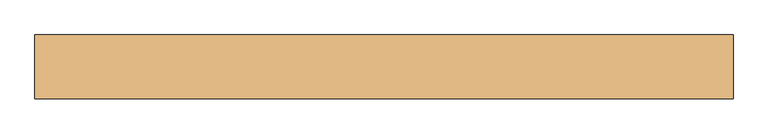
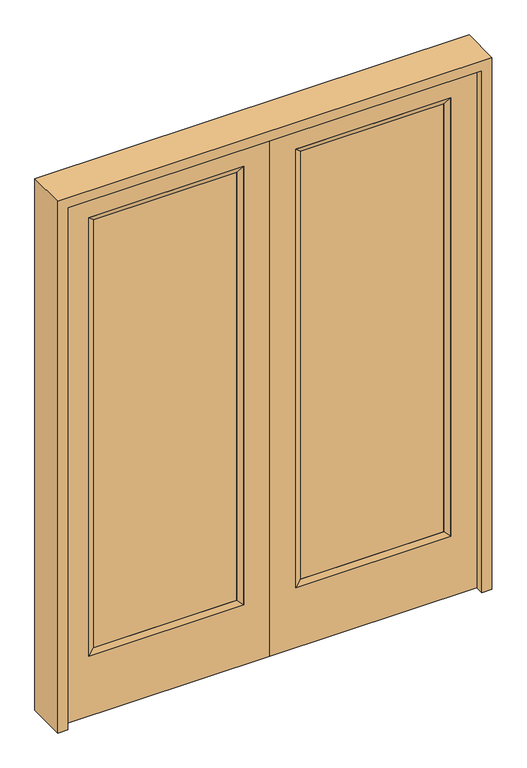
"""IFC4 building model written with IfcOpenShell, lengths in millimetres: door geometry."""

from ifc_helpers import new_model, si_unit, frame, origin, place, context, project, spatial, polyline, outline, extrude, faceted_brep, source, transform, mapped, element, save


def door_7d234b41(model_context):
    return source(origin(), model_context, "Body", "SolidModel", [
        extrude(outline(polyline([(140.8176, -12.7039749), (140.8176, 14.2875), (773.5824, 14.2875), (773.5824, -12.7039749), (140.8176, -12.7039749)])), frame((0.0, 0.0, 304.8), z_axis=(0.0, 0.0, 1.0), x_axis=(1.0, 0.0, 0.0)), (0.0, 0.0, 1.0), 1997.5576),
        faceted_brep([(140.8176, 14.2875, 2302.3576), (140.8176, 14.2875, 304.8), (115.4176, 22.225, 279.4), (115.4176, 22.225, 2327.7576), (115.4176, -22.225, 279.4), (115.4176, -22.225, 2327.7576), (773.5824, 14.2875, 304.8), (798.9824, 22.225, 279.4), (140.8176, -12.7039749, 2302.3576), (140.8176, -12.7039749, 304.8), (773.5824, -12.7039749, 304.8), (798.9824, -22.225, 279.4), (773.5824, 14.2875, 2302.3576), (798.9824, 22.225, 2327.7576), (773.5824, -12.7039749, 2302.3576), (798.9824, -22.225, 2327.7576)], [[[0, 1, 2, 3]], [[3, 2, 4, 5]], [[1, 6, 7, 2]], [[8, 9, 1, 0]], [[9, 10, 6, 1]], [[5, 4, 9, 8]], [[4, 11, 10, 9]], [[2, 7, 11, 4]], [[6, 12, 13, 7]], [[10, 14, 12, 6]], [[11, 15, 14, 10]], [[7, 13, 15, 11]], [[12, 0, 3, 13]], [[14, 8, 0, 12]], [[15, 5, 8, 14]], [[13, 3, 5, 15]]]),
        extrude(outline(polyline([(0.0, 914.4), (2438.4, 914.4), (2438.4, 0.0), (0.0, 0.0), (0.0, 914.4)]), holes=[polyline([(279.4, 798.9824), (279.4, 115.4176), (2327.7576, 115.4176), (2327.7576, 798.9824), (279.4, 798.9824)])]), frame((0.0, -22.225, 0.0), z_axis=(0.0, 1.0, 0.0), x_axis=(0.0, 0.0, 1.0)), (0.0, 0.0, 1.0), 44.45),
        extrude(outline(polyline([(-140.8176, -12.7039749), (-773.5824, -12.7039749), (-773.5824, 14.2875), (-140.8176, 14.2875), (-140.8176, -12.7039749)])), frame((0.0, 0.0, 304.8), z_axis=(0.0, 0.0, 1.0), x_axis=(1.0, 0.0, 0.0)), (0.0, 0.0, 1.0), 1997.5576),
        faceted_brep([(-140.8176, 14.2875, 2302.3576), (-115.4176, 22.225, 2327.7576), (-115.4176, 22.225, 279.4), (-140.8176, 14.2875, 304.8), (-115.4176, -22.225, 2327.7576), (-115.4176, -22.225, 279.4), (-798.9824, 22.225, 279.4), (-773.5824, 14.2875, 304.8), (-140.8176, -12.7039749, 2302.3576), (-140.8176, -12.7039749, 304.8), (-773.5824, -12.7039749, 304.8), (-798.9824, -22.225, 279.4), (-798.9824, 22.225, 2327.7576), (-773.5824, 14.2875, 2302.3576), (-773.5824, -12.7039749, 2302.3576), (-798.9824, -22.225, 2327.7576)], [[[0, 1, 2, 3]], [[1, 4, 5, 2]], [[3, 2, 6, 7]], [[8, 0, 3, 9]], [[9, 3, 7, 10]], [[4, 8, 9, 5]], [[5, 9, 10, 11]], [[2, 5, 11, 6]], [[7, 6, 12, 13]], [[10, 7, 13, 14]], [[11, 10, 14, 15]], [[6, 11, 15, 12]], [[13, 12, 1, 0]], [[14, 13, 0, 8]], [[15, 14, 8, 4]], [[12, 15, 4, 1]]]),
        extrude(outline(polyline([(0.0, -914.4), (0.0, 0.0), (2438.4, 0.0), (2438.4, -914.4), (0.0, -914.4)]), holes=[polyline([(279.4, -798.9824), (2327.7576, -798.9824), (2327.7576, -115.4176), (279.4, -115.4176), (279.4, -798.9824)])]), frame((0.0, -22.225, 0.0), z_axis=(0.0, 1.0, 0.0), x_axis=(0.0, 0.0, 1.0)), (0.0, 0.0, 1.0), 44.45),
        extrude(outline(polyline([(0.0, -958.85), (0.0, -914.4), (2438.4, -914.4), (2438.4, 914.4), (0.0, 914.4), (0.0, 958.85), (2482.85, 958.85), (2482.85, -958.85), (0.0, -958.85)])), frame((0.0, -61.1, 0.0), z_axis=(0.0, 1.0, 0.0), x_axis=(0.0, 0.0, 1.0)), (0.0, 0.0, 1.0), 175.4),
    ])


if __name__ == "__main__":
    model = new_model("IFC4")
    model_context = context("Model", 3, world=origin())
    ifc_project = project(units=[si_unit("LENGTHUNIT", "METRE", prefix="MILLI")], contexts=[model_context])
    site = spatial("IfcSite", under=ifc_project)
    building = spatial("IfcBuilding", under=site)
    placement = place(None, origin())
    door_shape = door_7d234b41(model_context)
    element("IfcDoor", 1, at=placement, inside=building, context=model_context, shape_type="MappedRepresentation", body=[
        mapped(door_shape, transform((0.0, 0.0, 0.0), x_axis=(1.0, 0.0, 0.0), y_axis=(0.0, 1.0, 0.0), z_axis=(0.0, 0.0, 1.0))),
    ])
    save(model, "model.ifc")
